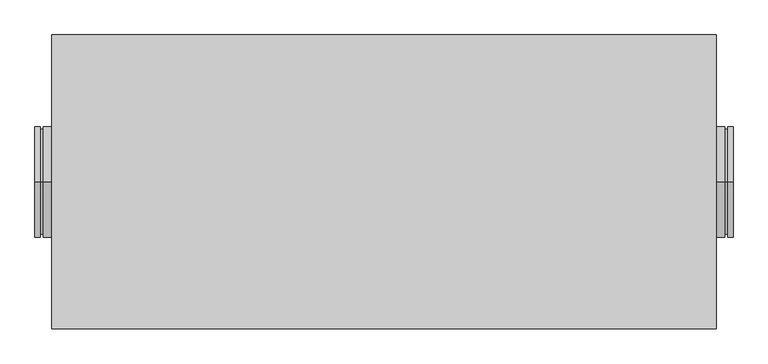
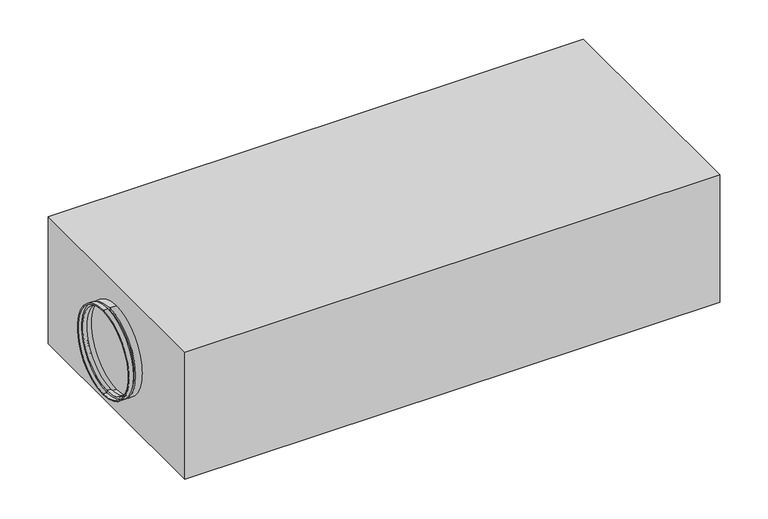
"""IFC4 building model written with IfcOpenShell, lengths in millimetres: proxy geometry."""

from ifc_helpers import new_model, si_unit, frame, origin, origin_with_axes, place, context, project, spatial, polyline, circle_curve, outline, extrude, source, transform, mapped, element, save
from ifc_brep_helpers import plane_surface, cylinder_surface, revolved_surface, advanced_brep


def mechanical_equipment_5f394d73(model_context):
    return source(origin(), model_context, "Body", "SolidModel", [
        advanced_brep(
        [(-630.0, 0.0, 53.0), (-630.0, 0.0, 249.0), (-630.0, 0.0, 251.0), (-630.0, 0.0, 51.0), (-600.0, 0.0, 51.0), (-600.0, 0.0, 251.0), (-600.0, 0.0, 249.0), (-600.0, 0.0, 53.0), (-615.0, 0.0, 51.0), (-615.0, 0.0, 251.0), (-615.0, 0.0, 56.0), (-615.0, 0.0, 246.0), (-620.0, 0.0, 56.0), (-620.0, 0.0, 246.0), (-620.0, 0.0, 51.0), (-620.0, 0.0, 251.0), (-622.0, 0.0, 53.0), (-622.0, 0.0, 249.0), (-622.0, 0.0, 58.0), (-622.0, 0.0, 244.0), (-613.0, 0.0, 58.0), (-613.0, 0.0, 244.0), (-613.0, 0.0, 53.0), (-613.0, 0.0, 249.0)],
        [
            (0, 1, circle_curve(frame((-630.0, 0.0, 151.0), z_axis=(1.0, 0.0, 0.0), x_axis=(0.0, 0.0, 1.0)), 98.0)),
            (1, 2),
            (2, 3, circle_curve(frame((-630.0, 0.0, 151.0), z_axis=(-1.0, 0.0, 0.0), x_axis=(0.0, 0.0, 1.0)), 100.0)),
            (3, 0),
            (1, 0, circle_curve(frame((-630.0, 0.0, 151.0), z_axis=(1.0, 0.0, 0.0), x_axis=(0.0, 0.0, 1.0)), 98.0)),
            (3, 2, circle_curve(frame((-630.0, 0.0, 151.0), z_axis=(-1.0, 0.0, 0.0), x_axis=(0.0, 0.0, 1.0)), 100.0)),
            (4, 5, circle_curve(frame((-600.0, 0.0, 151.0), z_axis=(1.0, 0.0, 0.0), x_axis=(0.0, 0.0, 1.0)), 100.0)),
            (5, 6),
            (6, 7, circle_curve(frame((-600.0, 0.0, 151.0), z_axis=(-1.0, 0.0, 0.0), x_axis=(0.0, 0.0, 1.0)), 98.0)),
            (7, 4),
            (5, 4, circle_curve(frame((-600.0, 0.0, 151.0), z_axis=(1.0, 0.0, 0.0), x_axis=(0.0, 0.0, 1.0)), 100.0)),
            (7, 6, circle_curve(frame((-600.0, 0.0, 151.0), z_axis=(-1.0, 0.0, 0.0), x_axis=(0.0, 0.0, 1.0)), 98.0)),
            (8, 9, circle_curve(frame((-615.0, 0.0, 151.0), z_axis=(1.0, 0.0, 0.0), x_axis=(0.0, 0.0, 1.0)), 100.0)),
            (9, 5),
            (4, 8),
            (9, 8, circle_curve(frame((-615.0, 0.0, 151.0), z_axis=(1.0, 0.0, 0.0), x_axis=(0.0, 0.0, 1.0)), 100.0)),
            (10, 11, circle_curve(frame((-615.0, 0.0, 151.0), z_axis=(1.0, 0.0, 0.0), x_axis=(0.0, 0.0, 1.0)), 95.0)),
            (11, 9),
            (8, 10),
            (11, 10, circle_curve(frame((-615.0, 0.0, 151.0), z_axis=(1.0, 0.0, 0.0), x_axis=(0.0, 0.0, 1.0)), 95.0)),
            (12, 13, circle_curve(frame((-620.0, 0.0, 151.0), z_axis=(1.0, 0.0, 0.0), x_axis=(0.0, 0.0, 1.0)), 95.0)),
            (13, 11),
            (10, 12),
            (13, 12, circle_curve(frame((-620.0, 0.0, 151.0), z_axis=(1.0, 0.0, 0.0), x_axis=(0.0, 0.0, 1.0)), 95.0)),
            (14, 15, circle_curve(frame((-620.0, 0.0, 151.0), z_axis=(1.0, 0.0, 0.0), x_axis=(0.0, 0.0, 1.0)), 100.0)),
            (15, 13),
            (12, 14),
            (15, 14, circle_curve(frame((-620.0, 0.0, 151.0), z_axis=(1.0, 0.0, 0.0), x_axis=(0.0, 0.0, 1.0)), 100.0)),
            (2, 15),
            (14, 3),
            (16, 17, circle_curve(frame((-622.0, 0.0, 151.0), z_axis=(1.0, 0.0, 0.0), x_axis=(0.0, 0.0, 1.0)), 98.0)),
            (17, 1),
            (0, 16),
            (17, 16, circle_curve(frame((-622.0, 0.0, 151.0), z_axis=(1.0, 0.0, 0.0), x_axis=(0.0, 0.0, 1.0)), 98.0)),
            (18, 19, circle_curve(frame((-622.0, 0.0, 151.0), z_axis=(1.0, 0.0, 0.0), x_axis=(0.0, 0.0, 1.0)), 93.0)),
            (19, 17),
            (16, 18),
            (19, 18, circle_curve(frame((-622.0, 0.0, 151.0), z_axis=(1.0, 0.0, 0.0), x_axis=(0.0, 0.0, 1.0)), 93.0)),
            (20, 21, circle_curve(frame((-613.0, 0.0, 151.0), z_axis=(1.0, 0.0, 0.0), x_axis=(0.0, 0.0, 1.0)), 93.0)),
            (21, 19),
            (18, 20),
            (21, 20, circle_curve(frame((-613.0, 0.0, 151.0), z_axis=(1.0, 0.0, 0.0), x_axis=(0.0, 0.0, 1.0)), 93.0)),
            (22, 23, circle_curve(frame((-613.0, 0.0, 151.0), z_axis=(1.0, 0.0, 0.0), x_axis=(0.0, 0.0, 1.0)), 98.0)),
            (23, 21),
            (20, 22),
            (23, 22, circle_curve(frame((-613.0, 0.0, 151.0), z_axis=(1.0, 0.0, 0.0), x_axis=(0.0, 0.0, 1.0)), 98.0)),
            (6, 23),
            (22, 7),
        ],
        [
            plane_surface(frame((-630.0, 0.0, 151.0), z_axis=(-1.0, 0.0, 0.0), x_axis=(0.0, 0.0, 1.0))),
            plane_surface(frame((-600.0, 0.0, 151.0), z_axis=(1.0, 0.0, 0.0), x_axis=(0.0, 0.0, 1.0))),
            cylinder_surface(frame((-1364.5786453, 0.0, 151.0), z_axis=(-1.0, 0.0, 0.0), x_axis=(0.0, 0.0, 1.0)), 100.0),
            plane_surface(frame((-615.0, 0.0, 151.0), z_axis=(-1.0, 0.0, 0.0), x_axis=(0.0, 0.0, 1.0))),
            cylinder_surface(frame((-1364.5786453, 0.0, 151.0), z_axis=(-1.0, 0.0, 0.0), x_axis=(0.0, 0.0, 1.0)), 95.0),
            plane_surface(frame((-620.0, 0.0, 151.0), z_axis=(1.0, 0.0, 0.0), x_axis=(0.0, 0.0, 1.0))),
            revolved_surface(polyline([(-630.0, 0.0, 249.0), (-622.0, 0.0, 249.0)]), (-1364.5786453, 0.0, 151.0), (-1.0, 0.0, 0.0)),
            plane_surface(frame((-622.0, 0.0, 151.0), z_axis=(-1.0, 0.0, 0.0), x_axis=(0.0, 0.0, 1.0))),
            revolved_surface(polyline([(-622.0, 0.0, 244.0), (-613.0, 0.0, 244.0)]), (-1364.5786453, 0.0, 151.0), (-1.0, 0.0, 0.0)),
            plane_surface(frame((-613.0, 0.0, 151.0), z_axis=(1.0, 0.0, 0.0), x_axis=(0.0, 0.0, 1.0))),
            revolved_surface(polyline([(-613.0, 0.0, 249.0), (-600.0, 0.0, 249.0)]), (-1364.5786453, 0.0, 151.0), (-1.0, 0.0, 0.0)),
        ],
        [
            (0, [[1, 2, 3, 4]]),
            (0, [[5, -4, 6, -2]]),
            (1, [[7, 8, 9, 10]]),
            (1, [[11, -10, 12, -8]]),
            (2, [[13, 14, -7, 15]]),
            (2, [[16, -15, -11, -14]]),
            (3, [[17, 18, -13, 19]]),
            (3, [[20, -19, -16, -18]]),
            (4, [[21, 22, -17, 23]]),
            (4, [[24, -23, -20, -22]]),
            (5, [[25, 26, -21, 27]]),
            (5, [[28, -27, -24, -26]]),
            (2, [[-3, 29, -25, 30]]),
            (2, [[-6, -30, -28, -29]]),
            (6, [[31, 32, -1, 33]]),
            (6, [[34, -33, -5, -32]]),
            (7, [[35, 36, -31, 37]]),
            (7, [[38, -37, -34, -36]]),
            (8, [[39, 40, -35, 41]]),
            (8, [[42, -41, -38, -40]]),
            (9, [[43, 44, -39, 45]]),
            (9, [[46, -45, -42, -44]]),
            (10, [[-9, 47, -43, 48]]),
            (10, [[-12, -48, -46, -47]]),
        ],
    ),
        advanced_brep(
        [(620.0, 0.0, 51.0), (620.0, 0.0, 251.0), (630.0, 0.0, 251.0), (630.0, 0.0, 51.0), (620.0, 0.0, 56.0), (620.0, 0.0, 246.0), (615.0, 0.0, 56.0), (615.0, 0.0, 246.0), (615.0, 0.0, 51.0), (615.0, 0.0, 251.0), (600.0, 0.0, 51.0), (600.0, 0.0, 251.0), (600.0, 0.0, 53.0), (600.0, 0.0, 249.0), (613.0, 0.0, 53.0), (613.0, 0.0, 249.0), (613.0, 0.0, 58.0), (613.0, 0.0, 244.0), (622.0, 0.0, 58.0), (622.0, 0.0, 244.0), (622.0, 0.0, 53.0), (622.0, 0.0, 249.0), (630.0, 0.0, 53.0), (630.0, 0.0, 249.0)],
        [
            (0, 1, circle_curve(frame((620.0, 0.0, 151.0), z_axis=(1.0, 0.0, 0.0), x_axis=(0.0, 0.0, 1.0)), 100.0)),
            (1, 2),
            (2, 3, circle_curve(frame((630.0, 0.0, 151.0), z_axis=(-1.0, 0.0, 0.0), x_axis=(0.0, 0.0, 1.0)), 100.0)),
            (3, 0),
            (1, 0, circle_curve(frame((620.0, 0.0, 151.0), z_axis=(1.0, 0.0, 0.0), x_axis=(0.0, 0.0, 1.0)), 100.0)),
            (3, 2, circle_curve(frame((630.0, 0.0, 151.0), z_axis=(-1.0, 0.0, 0.0), x_axis=(0.0, 0.0, 1.0)), 100.0)),
            (4, 5, circle_curve(frame((620.0, 0.0, 151.0), z_axis=(1.0, 0.0, 0.0), x_axis=(0.0, 0.0, 1.0)), 95.0)),
            (5, 1),
            (0, 4),
            (5, 4, circle_curve(frame((620.0, 0.0, 151.0), z_axis=(1.0, 0.0, 0.0), x_axis=(0.0, 0.0, 1.0)), 95.0)),
            (6, 7, circle_curve(frame((615.0, 0.0, 151.0), z_axis=(1.0, 0.0, 0.0), x_axis=(0.0, 0.0, 1.0)), 95.0)),
            (7, 5),
            (4, 6),
            (7, 6, circle_curve(frame((615.0, 0.0, 151.0), z_axis=(1.0, 0.0, 0.0), x_axis=(0.0, 0.0, 1.0)), 95.0)),
            (8, 9, circle_curve(frame((615.0, 0.0, 151.0), z_axis=(1.0, 0.0, 0.0), x_axis=(0.0, 0.0, 1.0)), 100.0)),
            (9, 7),
            (6, 8),
            (9, 8, circle_curve(frame((615.0, 0.0, 151.0), z_axis=(1.0, 0.0, 0.0), x_axis=(0.0, 0.0, 1.0)), 100.0)),
            (10, 11, circle_curve(frame((600.0, 0.0, 151.0), z_axis=(1.0, 0.0, 0.0), x_axis=(0.0, 0.0, 1.0)), 100.0)),
            (11, 9),
            (8, 10),
            (11, 10, circle_curve(frame((600.0, 0.0, 151.0), z_axis=(1.0, 0.0, 0.0), x_axis=(0.0, 0.0, 1.0)), 100.0)),
            (12, 13, circle_curve(frame((600.0, 0.0, 151.0), z_axis=(1.0, 0.0, 0.0), x_axis=(0.0, 0.0, 1.0)), 98.0)),
            (13, 11),
            (10, 12),
            (13, 12, circle_curve(frame((600.0, 0.0, 151.0), z_axis=(1.0, 0.0, 0.0), x_axis=(0.0, 0.0, 1.0)), 98.0)),
            (14, 15, circle_curve(frame((613.0, 0.0, 151.0), z_axis=(1.0, 0.0, 0.0), x_axis=(0.0, 0.0, 1.0)), 98.0)),
            (15, 13),
            (12, 14),
            (15, 14, circle_curve(frame((613.0, 0.0, 151.0), z_axis=(1.0, 0.0, 0.0), x_axis=(0.0, 0.0, 1.0)), 98.0)),
            (16, 17, circle_curve(frame((613.0, 0.0, 151.0), z_axis=(1.0, 0.0, 0.0), x_axis=(0.0, 0.0, 1.0)), 93.0)),
            (17, 15),
            (14, 16),
            (17, 16, circle_curve(frame((613.0, 0.0, 151.0), z_axis=(1.0, 0.0, 0.0), x_axis=(0.0, 0.0, 1.0)), 93.0)),
            (18, 19, circle_curve(frame((622.0, 0.0, 151.0), z_axis=(1.0, 0.0, 0.0), x_axis=(0.0, 0.0, 1.0)), 93.0)),
            (19, 17),
            (16, 18),
            (19, 18, circle_curve(frame((622.0, 0.0, 151.0), z_axis=(1.0, 0.0, 0.0), x_axis=(0.0, 0.0, 1.0)), 93.0)),
            (20, 21, circle_curve(frame((622.0, 0.0, 151.0), z_axis=(1.0, 0.0, 0.0), x_axis=(0.0, 0.0, 1.0)), 98.0)),
            (21, 19),
            (18, 20),
            (21, 20, circle_curve(frame((622.0, 0.0, 151.0), z_axis=(1.0, 0.0, 0.0), x_axis=(0.0, 0.0, 1.0)), 98.0)),
            (22, 23, circle_curve(frame((630.0, 0.0, 151.0), z_axis=(1.0, 0.0, 0.0), x_axis=(0.0, 0.0, 1.0)), 98.0)),
            (23, 21),
            (20, 22),
            (23, 22, circle_curve(frame((630.0, 0.0, 151.0), z_axis=(1.0, 0.0, 0.0), x_axis=(0.0, 0.0, 1.0)), 98.0)),
            (2, 23),
            (22, 3),
        ],
        [
            cylinder_surface(frame((-1364.5786453, 0.0, 151.0), z_axis=(-1.0, 0.0, 0.0), x_axis=(0.0, 0.0, 1.0)), 100.0),
            plane_surface(frame((620.0, 0.0, 151.0), z_axis=(-1.0, 0.0, 0.0), x_axis=(0.0, 0.0, 1.0))),
            cylinder_surface(frame((-1364.5786453, 0.0, 151.0), z_axis=(-1.0, 0.0, 0.0), x_axis=(0.0, 0.0, 1.0)), 95.0),
            plane_surface(frame((615.0, 0.0, 151.0), z_axis=(1.0, 0.0, 0.0), x_axis=(0.0, 0.0, 1.0))),
            plane_surface(frame((600.0, 0.0, 151.0), z_axis=(-1.0, 0.0, 0.0), x_axis=(0.0, 0.0, 1.0))),
            revolved_surface(polyline([(600.0, 0.0, 249.0), (613.0, 0.0, 249.0)]), (-1364.5786453, 0.0, 151.0), (-1.0, 0.0, 0.0)),
            plane_surface(frame((613.0, 0.0, 151.0), z_axis=(-1.0, 0.0, 0.0), x_axis=(0.0, 0.0, 1.0))),
            revolved_surface(polyline([(613.0, 0.0, 244.0), (622.0, 0.0, 244.0)]), (-1364.5786453, 0.0, 151.0), (-1.0, 0.0, 0.0)),
            plane_surface(frame((622.0, 0.0, 151.0), z_axis=(1.0, 0.0, 0.0), x_axis=(0.0, 0.0, 1.0))),
            revolved_surface(polyline([(622.0, 0.0, 249.0), (630.0, 0.0, 249.0)]), (-1364.5786453, 0.0, 151.0), (-1.0, 0.0, 0.0)),
            plane_surface(frame((630.0, 0.0, 151.0), z_axis=(1.0, 0.0, 0.0), x_axis=(0.0, 0.0, 1.0))),
        ],
        [
            (0, [[1, 2, 3, 4]]),
            (0, [[5, -4, 6, -2]]),
            (1, [[7, 8, -1, 9]]),
            (1, [[10, -9, -5, -8]]),
            (2, [[11, 12, -7, 13]]),
            (2, [[14, -13, -10, -12]]),
            (3, [[15, 16, -11, 17]]),
            (3, [[18, -17, -14, -16]]),
            (0, [[19, 20, -15, 21]]),
            (0, [[22, -21, -18, -20]]),
            (4, [[23, 24, -19, 25]]),
            (4, [[26, -25, -22, -24]]),
            (5, [[27, 28, -23, 29]]),
            (5, [[30, -29, -26, -28]]),
            (6, [[31, 32, -27, 33]]),
            (6, [[34, -33, -30, -32]]),
            (7, [[35, 36, -31, 37]]),
            (7, [[38, -37, -34, -36]]),
            (8, [[39, 40, -35, 41]]),
            (8, [[42, -41, -38, -40]]),
            (9, [[43, 44, -39, 45]]),
            (9, [[46, -45, -42, -44]]),
            (10, [[-3, 47, -43, 48]]),
            (10, [[-6, -48, -46, -47]]),
        ],
    ),
        extrude(outline(polyline([(-600.0, -265.0), (-600.0, 265.0), (600.0, 265.0), (600.0, -265.0), (-600.0, -265.0)])), origin_with_axes(), (0.0, 0.0, 1.0), 302.0),
    ])


if __name__ == "__main__":
    model = new_model("IFC4")
    model_context = context("Model", 3, world=origin())
    ifc_project = project(units=[si_unit("LENGTHUNIT", "METRE", prefix="MILLI")], contexts=[model_context])
    site = spatial("IfcSite", under=ifc_project)
    building = spatial("IfcBuilding", under=site)
    placement = place(None, origin())
    mechanical_equipment_shape = mechanical_equipment_5f394d73(model_context)
    element("IfcBuildingElementProxy", 1, Name="Mechanical Equipment", at=placement, inside=building, context=model_context, shape_type="MappedRepresentation", body=[
        mapped(mechanical_equipment_shape, transform((0.0, 0.0, 0.0), x_axis=(1.0, 0.0, 0.0), y_axis=(0.0, 1.0, 0.0), z_axis=(0.0, 0.0, 1.0))),
    ])
    save(model, "model.ifc")
